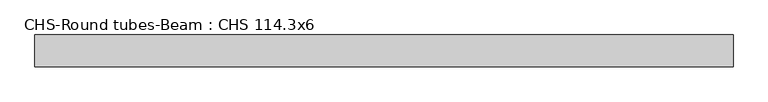
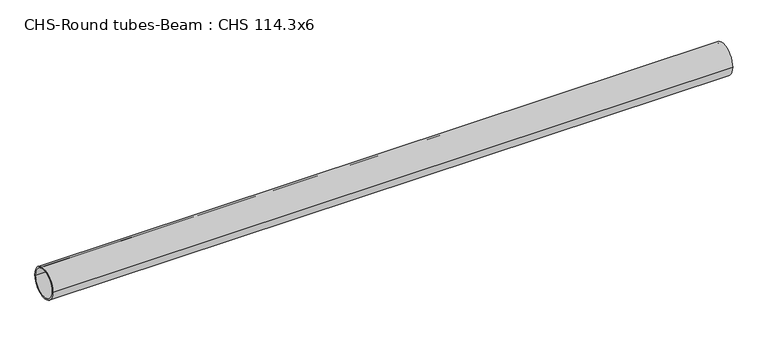
"""IFC4 building model written with IfcOpenShell, lengths in millimetres: beam geometry, CHS-Round tubes-Beam : CHS 114.3x6."""

from ifc_helpers import new_model, si_unit, point, frame, origin, origin_2d, place, context, project, spatial, circle_curve, trimmed, segment, composite_curve, outline, extrude, source, transform, mapped, element, save


def chs_round_tubes_beam_chs_114_3x6_942f7f39(model_context):
    return source(origin(), model_context, "Body", "SweptSolid", [
        extrude(outline(composite_curve([segment(trimmed(circle_curve(origin_2d(), 57.15), [point((57.15, 0.0))], [point((-57.15, 0.0))], False, "CARTESIAN"), True, "CONTINUOUS"), segment(trimmed(circle_curve(origin_2d(), 57.15), [point((-57.15, 0.0))], [point((57.15, 0.0))], False, "CARTESIAN"), True, "CONTINUOUS")], self_intersect=False), holes=[composite_curve([segment(trimmed(circle_curve(origin_2d(), 51.15), [point((51.15, 0.0))], [point((-51.15, 0.0))], True, "CARTESIAN"), True, "CONTINUOUS"), segment(trimmed(circle_curve(origin_2d(), 51.15), [point((-51.15, 0.0))], [point((51.15, 0.0))], True, "CARTESIAN"), True, "CONTINUOUS")], self_intersect=False)]), frame((-1222.0438151, 0.0, 0.0), z_axis=(1.0, 0.0, 0.0), x_axis=(0.0, 1.0, 0.0)), (0.0, 0.0, 1.0), 2510.7006713),
    ])


if __name__ == "__main__":
    model = new_model("IFC4")
    model_context = context("Model", 3, world=origin())
    ifc_project = project(units=[si_unit("LENGTHUNIT", "METRE", prefix="MILLI")], contexts=[model_context])
    site = spatial("IfcSite", under=ifc_project)
    building = spatial("IfcBuilding", under=site)
    placement = place(None, origin())
    chs_round_tubes_beam_chs_114_3x6_shape = chs_round_tubes_beam_chs_114_3x6_942f7f39(model_context)
    element("IfcBeam", 1, ObjectType="CHS-Round tubes-Beam : CHS 114.3x6", at=placement, inside=building, context=model_context, shape_type="MappedRepresentation", body=[
        mapped(chs_round_tubes_beam_chs_114_3x6_shape, transform((0.0, 0.0, 0.0), x_axis=(1.0, 0.0, 0.0), y_axis=(0.0, 1.0, 0.0), z_axis=(0.0, 0.0, 1.0))),
    ])
    save(model, "model.ifc")
